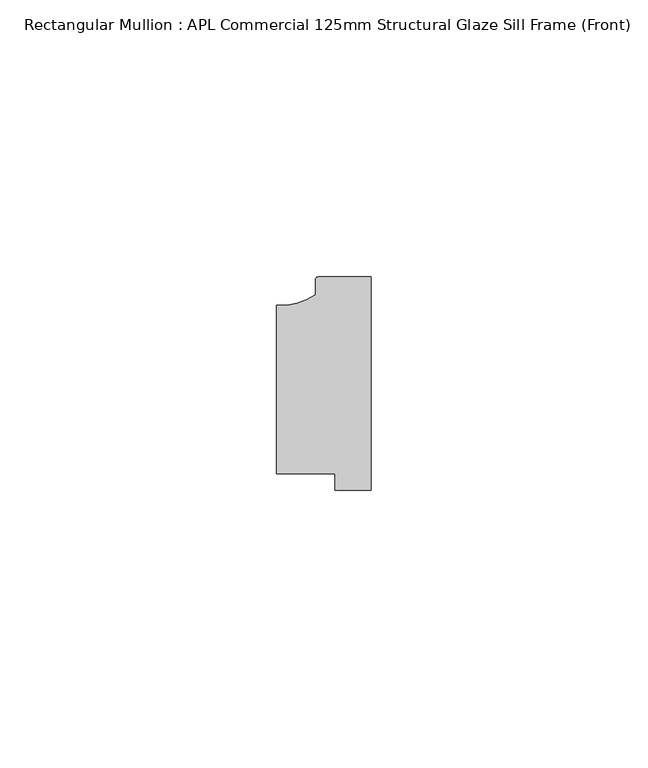
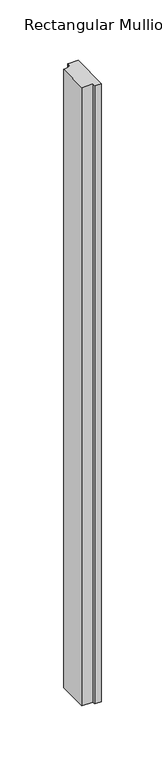
"""IFC4 building model written with IfcOpenShell, lengths in millimetres: member geometry, Rectangular Mullion : APL Commercial 125mm Structural Glaze Sill Frame (Front)."""

import ifcopenshell
import ifcopenshell.guid

model = None  # the IFC model being written
_history = None  # IfcOwnerHistory: only IFC2X3 demands one
_inside = {}  # id of a spatial element -> (the spatial element, [elements in it])
_under = {}  # id of a project, library or spatial element -> (it, [spatial elements below it])
_declared = {}  # id of a project -> (the project, [libraries it declares])
_typed = {}  # id of a type object -> (the type object, [elements of that type])
_made_of = {}  # id of a material, layer set ... -> (it, [elements and type objects made of it])


def new_model(schema):
    """Start an empty IFC model of exactly this schema.

    Asked for "IFC4X3", IfcOpenShell would pick the latest addendum, in which some entities
    have other attributes; the version numbers below select the first issue.
    IFC2X3 requires an IfcOwnerHistory on every rooted entity: one is made here for all.
    """
    global model, _history
    if schema == "IFC4X3":
        model = ifcopenshell.file(schema_version=(4, 3, 0, 0))
    else:
        model = ifcopenshell.file(schema=schema)
    _inside.clear()
    _under.clear()
    _declared.clear()
    _typed.clear()
    _made_of.clear()
    _history = None
    if model.schema == "IFC2X3":
        org = make("IfcOrganization", Name="unknown")
        user = make(
            "IfcPersonAndOrganization",
            ThePerson=make("IfcPerson", FamilyName="unknown"),
            TheOrganization=org,
        )
        app = make(
            "IfcApplication",
            ApplicationDeveloper=org,
            Version="unknown",
            ApplicationFullName="unknown",
            ApplicationIdentifier="unknown",
        )
        _history = make(
            "IfcOwnerHistory",
            OwningUser=user,
            OwningApplication=app,
            ChangeAction="ADDED",
            CreationDate=0,
        )
    return model


def make(cls, **values):
    """One entity of the class cls with the attributes given. An attribute that is None is left unset."""
    return model.create_entity(
        cls, **{name: value for name, value in values.items() if value is not None}
    )


def rooted(cls, **values):
    """An entity with a GlobalId (a new one), such as an element, a storey or a relation."""
    return make(cls, GlobalId=ifcopenshell.guid.new(), OwnerHistory=_history, **values)


def si_unit(unit_type, name, prefix=None):
    """IfcSIUnit, for example si_unit("LENGTHUNIT", "METRE", prefix="MILLI")."""
    return make("IfcSIUnit", UnitType=unit_type, Prefix=prefix, Name=name)


def assignment(units):
    """IfcUnitAssignment: the units of a project."""
    return None if units is None else make("IfcUnitAssignment", Units=units)


def point(xyz):
    """IfcCartesianPoint."""
    return None if xyz is None else make("IfcCartesianPoint", Coordinates=xyz)


def direction(xyz):
    """IfcDirection."""
    return None if xyz is None else make("IfcDirection", DirectionRatios=xyz)


def frame(location, z_axis=None, x_axis=None):
    """IfcAxis2Placement3D, a coordinate frame: its origin and axes. An axis left out is left unset."""
    return make(
        "IfcAxis2Placement3D",
        Location=point(location),
        Axis=direction(z_axis),
        RefDirection=direction(x_axis),
    )


def frame_2d(location, x_axis=None):
    """IfcAxis2Placement2D, a coordinate frame in the plane: its origin and x axis."""
    return make(
        "IfcAxis2Placement2D", Location=point(location), RefDirection=direction(x_axis)
    )


def origin():
    """The frame at (0, 0, 0) with its axes left unset."""
    return frame((0.0, 0.0, 0.0))


def place(relative_to, where):
    """IfcLocalPlacement: puts the frame where relative to a parent placement (None: the world)."""
    return make(
        "IfcLocalPlacement", PlacementRelTo=relative_to, RelativePlacement=where
    )


def context(
    kind, dimensions, precision=None, world=None, true_north=None, identifier=None
):
    """IfcGeometricRepresentationContext, for example the 3D "Model" context."""
    return make(
        "IfcGeometricRepresentationContext",
        ContextIdentifier=identifier,
        ContextType=kind,
        CoordinateSpaceDimension=dimensions,
        Precision=precision,
        WorldCoordinateSystem=world,
        TrueNorth=true_north,
    )


def project(units=None, contexts=None):
    """IfcProject with its units and contexts."""
    return rooted(
        "IfcProject",
        Name="project",
        RepresentationContexts=contexts,
        UnitsInContext=assignment(units),
    )


def spatial(cls, under=None, at=None, **own):
    """A site, building, storey or space (cls), placed at a placement, below another one or the project."""
    s = rooted(cls, ObjectPlacement=at, **own)
    if under is not None:
        _under.setdefault(under.id(), (under, []))[1].append(s)
    return s


def polyline(points):
    """IfcPolyline through the points."""
    return make("IfcPolyline", Points=[point(p) for p in points])


def circle_curve(where, radius):
    """IfcCircle in the frame where."""
    return make("IfcCircle", Position=where, Radius=radius)


def trimmed(basis, trim1, trim2, sense, master):
    """IfcTrimmedCurve: the piece of a basis curve between two trims."""
    return make(
        "IfcTrimmedCurve",
        BasisCurve=basis,
        Trim1=trim1,
        Trim2=trim2,
        SenseAgreement=sense,
        MasterRepresentation=master,
    )


def segment(curve, same_sense, transition):
    """IfcCompositeCurveSegment."""
    return make(
        "IfcCompositeCurveSegment",
        Transition=transition,
        SameSense=same_sense,
        ParentCurve=curve,
    )


def composite_curve(segments, self_intersect=None):
    """IfcCompositeCurve: segments joined end to end."""
    return make("IfcCompositeCurve", Segments=segments, SelfIntersect=self_intersect)


def outline(outer, holes=None, kind="AREA"):
    """IfcArbitraryClosedProfileDef: a profile drawn as a closed curve; with holes, ...WithVoids."""
    if holes is None:
        return make("IfcArbitraryClosedProfileDef", ProfileType=kind, OuterCurve=outer)
    return make(
        "IfcArbitraryProfileDefWithVoids",
        ProfileType=kind,
        OuterCurve=outer,
        InnerCurves=holes,
    )


def extrude(swept, where, along, depth):
    """IfcExtrudedAreaSolid: the profile swept, set in the frame where, extruded along a direction by depth."""
    return make(
        "IfcExtrudedAreaSolid",
        SweptArea=swept,
        Position=where,
        ExtrudedDirection=direction(along),
        Depth=depth,
    )


def shape(context_of_items, identifier, shape_type, items):
    """IfcShapeRepresentation: the items that make up one representation, for example the "Body"."""
    return make(
        "IfcShapeRepresentation",
        ContextOfItems=context_of_items,
        RepresentationIdentifier=identifier,
        RepresentationType=shape_type,
        Items=items,
    )


def source(mapping_origin, context_of_items, identifier, shape_type, items):
    """IfcRepresentationMap: a shape defined once, which mapped items show again and again."""
    return make(
        "IfcRepresentationMap",
        MappingOrigin=mapping_origin,
        MappedRepresentation=shape(context_of_items, identifier, shape_type, items),
    )


def transform(
    local_origin,
    x_axis=None,
    y_axis=None,
    z_axis=None,
    scale=None,
    scale2=None,
    scale3=None,
    uniform=True,
):
    """IfcCartesianTransformationOperator3D, or its non-uniform kind. x_axis, y_axis, z_axis: its Axis1, 2, 3."""
    if uniform:
        return make(
            "IfcCartesianTransformationOperator3D",
            Axis1=direction(x_axis),
            Axis2=direction(y_axis),
            LocalOrigin=point(local_origin),
            Scale=scale,
            Axis3=direction(z_axis),
        )
    return make(
        "IfcCartesianTransformationOperator3DnonUniform",
        Axis1=direction(x_axis),
        Axis2=direction(y_axis),
        LocalOrigin=point(local_origin),
        Scale=scale,
        Axis3=direction(z_axis),
        Scale2=scale2,
        Scale3=scale3,
    )


def mapped(mapping_source, mapping_target):
    """IfcMappedItem: shows the shape of a source again, moved by a transform."""
    return make(
        "IfcMappedItem", MappingSource=mapping_source, MappingTarget=mapping_target
    )


def made_of(thing, what):
    """Note that an element or type object is made of a material, layer set ...; save() writes the relation."""
    if what is not None:
        _made_of.setdefault(what.id(), (what, []))[1].append(thing)
    return thing


def element(
    cls,
    number,
    at=None,
    inside=None,
    cuts=None,
    type_object=None,
    material=None,
    context=None,
    identifier="Body",
    shape_type=None,
    held_by="IfcProductDefinitionShape",
    body=None,
    shapes=None,
    **own,
):
    """One element of the class cls, such as IfcWall. Its Tag is "e" and its number.

    at: its placement. inside: the storey or other place that contains it. cuts: it is an
    opening in that element (IfcRelVoidsElement). A single representation is given by context,
    identifier, shape_type and body (its items); several are given by shapes. held_by: the class
    of the entity that holds the representations. save() writes the other relations.
    """
    e = rooted(cls, Tag="e%d" % number, ObjectPlacement=at, **own)
    if body is not None:
        shapes = [shape(context, identifier, shape_type, body)]
    if shapes is not None:
        e.Representation = make(held_by, Representations=shapes)
    if inside is not None:
        _inside.setdefault(inside.id(), (inside, []))[1].append(e)
    if cuts is not None:
        rooted(
            "IfcRelVoidsElement", RelatingBuildingElement=cuts, RelatedOpeningElement=e
        )
    if type_object is not None:
        _typed.setdefault(type_object.id(), (type_object, []))[1].append(e)
    return made_of(e, material)


def aggregate(whole, parts):
    """IfcRelAggregates: a whole, such as a stair, and the parts it consists of."""
    return rooted("IfcRelAggregates", RelatingObject=whole, RelatedObjects=parts)


def save(model, path):
    """Write the relations noted so far, then the file.

    IfcRelAggregates (storeys below a building ...), IfcRelContainedInSpatialStructure (elements
    in a storey), IfcRelDefinesByType, IfcRelAssociatesMaterial and IfcRelDeclares: one each for
    every whole, place, type object, material and project.
    """
    for whole, parts in _under.values():
        aggregate(whole, parts)
    for where, things in _inside.values():
        rooted(
            "IfcRelContainedInSpatialStructure",
            RelatedElements=things,
            RelatingStructure=where,
        )
    for kind, things in _typed.values():
        rooted("IfcRelDefinesByType", RelatedObjects=things, RelatingType=kind)
    for what, things in _made_of.values():
        rooted("IfcRelAssociatesMaterial", RelatedObjects=things, RelatingMaterial=what)
    for by, libraries in _declared.values():
        rooted("IfcRelDeclares", RelatingContext=by, RelatedDefinitions=libraries)
    model.write(path)


def rectangular_mullion_apl_commercial_125mm_structural_glaze_e52c427e(model_context):
    return source(origin(), model_context, "Body", "SweptSolid", [
        extrude(outline(composite_curve([segment(trimmed(circle_curve(frame_2d((-16.1098048, 25.7977481)), 10.4563907), [point((-16.999942, 15.3793144))], [point((-10.0, 17.3120901))], True, "CARTESIAN"), True, "CONTINUOUS"), segment(polyline([(-10.0, 17.3120901), (-10.0, 19.9980675)]), True, "CONTINUOUS"), segment(trimmed(circle_curve(frame_2d((-9.5000029, 19.99978)), 0.5), [point((-10.0, 19.9980675))], [point((-9.5000029, 20.49978))], False, "CARTESIAN"), True, "CONTINUOUS"), segment(polyline([(-9.5000029, 20.49978), (0.0, 20.49978), (0.0, -18.0281616), (-6.5000029, -18.0281616), (-6.5000029, -15.0004332), (-16.999942, -15.0004332), (-16.999942, 15.3793144)]), True, "CONTINUOUS")], self_intersect=False)), frame((0.0, 0.0, -624.4000609), z_axis=(0.0, 0.0, 1.0), x_axis=(1.0, 0.0, 0.0)), (0.0, 0.0, 1.0), 624.4000609),
    ])


if __name__ == "__main__":
    model = new_model("IFC4")
    model_context = context("Model", 3, world=origin())
    ifc_project = project(units=[si_unit("LENGTHUNIT", "METRE", prefix="MILLI")], contexts=[model_context])
    site = spatial("IfcSite", under=ifc_project)
    building = spatial("IfcBuilding", under=site)
    placement = place(None, origin())
    rectangular_mullion_apl_commercial_125mm_structural_glaze_shape = rectangular_mullion_apl_commercial_125mm_structural_glaze_e52c427e(model_context)
    element("IfcMember", 1, ObjectType="Rectangular Mullion : APL Commercial 125mm Structural Glaze Sill Frame (Front)", at=placement, inside=building, context=model_context, shape_type="MappedRepresentation", body=[
        mapped(rectangular_mullion_apl_commercial_125mm_structural_glaze_shape, transform((0.0, 0.0, 0.0), x_axis=(1.0, 0.0, 0.0), y_axis=(0.0, 1.0, 0.0), z_axis=(0.0, 0.0, 1.0))),
    ])
    save(model, "model.ifc")
